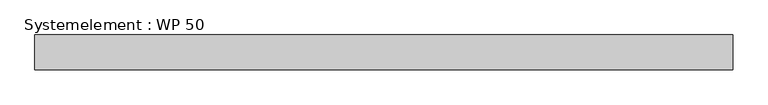
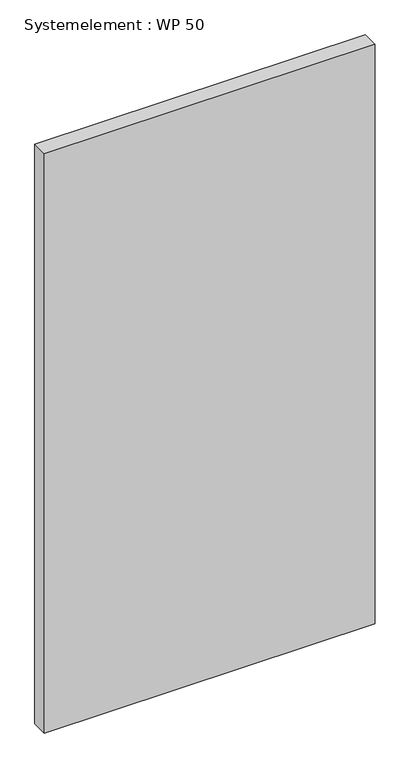
"""IFC4 building model written with IfcOpenShell, lengths in millimetres: plate geometry, Systemelement : WP 50."""

import ifcopenshell
import ifcopenshell.guid

model = None  # the IFC model being written
_history = None  # IfcOwnerHistory: only IFC2X3 demands one
_inside = {}  # id of a spatial element -> (the spatial element, [elements in it])
_under = {}  # id of a project, library or spatial element -> (it, [spatial elements below it])
_declared = {}  # id of a project -> (the project, [libraries it declares])
_typed = {}  # id of a type object -> (the type object, [elements of that type])
_made_of = {}  # id of a material, layer set ... -> (it, [elements and type objects made of it])


def new_model(schema):
    """Start an empty IFC model of exactly this schema.

    Asked for "IFC4X3", IfcOpenShell would pick the latest addendum, in which some entities
    have other attributes; the version numbers below select the first issue.
    IFC2X3 requires an IfcOwnerHistory on every rooted entity: one is made here for all.
    """
    global model, _history
    if schema == "IFC4X3":
        model = ifcopenshell.file(schema_version=(4, 3, 0, 0))
    else:
        model = ifcopenshell.file(schema=schema)
    _inside.clear()
    _under.clear()
    _declared.clear()
    _typed.clear()
    _made_of.clear()
    _history = None
    if model.schema == "IFC2X3":
        org = make("IfcOrganization", Name="unknown")
        user = make(
            "IfcPersonAndOrganization",
            ThePerson=make("IfcPerson", FamilyName="unknown"),
            TheOrganization=org,
        )
        app = make(
            "IfcApplication",
            ApplicationDeveloper=org,
            Version="unknown",
            ApplicationFullName="unknown",
            ApplicationIdentifier="unknown",
        )
        _history = make(
            "IfcOwnerHistory",
            OwningUser=user,
            OwningApplication=app,
            ChangeAction="ADDED",
            CreationDate=0,
        )
    return model


def make(cls, **values):
    """One entity of the class cls with the attributes given. An attribute that is None is left unset."""
    return model.create_entity(
        cls, **{name: value for name, value in values.items() if value is not None}
    )


def rooted(cls, **values):
    """An entity with a GlobalId (a new one), such as an element, a storey or a relation."""
    return make(cls, GlobalId=ifcopenshell.guid.new(), OwnerHistory=_history, **values)


def si_unit(unit_type, name, prefix=None):
    """IfcSIUnit, for example si_unit("LENGTHUNIT", "METRE", prefix="MILLI")."""
    return make("IfcSIUnit", UnitType=unit_type, Prefix=prefix, Name=name)


def assignment(units):
    """IfcUnitAssignment: the units of a project."""
    return None if units is None else make("IfcUnitAssignment", Units=units)


def point(xyz):
    """IfcCartesianPoint."""
    return None if xyz is None else make("IfcCartesianPoint", Coordinates=xyz)


def direction(xyz):
    """IfcDirection."""
    return None if xyz is None else make("IfcDirection", DirectionRatios=xyz)


def frame(location, z_axis=None, x_axis=None):
    """IfcAxis2Placement3D, a coordinate frame: its origin and axes. An axis left out is left unset."""
    return make(
        "IfcAxis2Placement3D",
        Location=point(location),
        Axis=direction(z_axis),
        RefDirection=direction(x_axis),
    )


def origin():
    """The frame at (0, 0, 0) with its axes left unset."""
    return frame((0.0, 0.0, 0.0))


def origin_with_axes():
    """The frame at (0, 0, 0) with the z axis (0, 0, 1) and the x axis (1, 0, 0) written out."""
    return frame((0.0, 0.0, 0.0), z_axis=(0.0, 0.0, 1.0), x_axis=(1.0, 0.0, 0.0))


def place(relative_to, where):
    """IfcLocalPlacement: puts the frame where relative to a parent placement (None: the world)."""
    return make(
        "IfcLocalPlacement", PlacementRelTo=relative_to, RelativePlacement=where
    )


def context(
    kind, dimensions, precision=None, world=None, true_north=None, identifier=None
):
    """IfcGeometricRepresentationContext, for example the 3D "Model" context."""
    return make(
        "IfcGeometricRepresentationContext",
        ContextIdentifier=identifier,
        ContextType=kind,
        CoordinateSpaceDimension=dimensions,
        Precision=precision,
        WorldCoordinateSystem=world,
        TrueNorth=true_north,
    )


def project(units=None, contexts=None):
    """IfcProject with its units and contexts."""
    return rooted(
        "IfcProject",
        Name="project",
        RepresentationContexts=contexts,
        UnitsInContext=assignment(units),
    )


def spatial(cls, under=None, at=None, **own):
    """A site, building, storey or space (cls), placed at a placement, below another one or the project."""
    s = rooted(cls, ObjectPlacement=at, **own)
    if under is not None:
        _under.setdefault(under.id(), (under, []))[1].append(s)
    return s


def polyline(points):
    """IfcPolyline through the points."""
    return make("IfcPolyline", Points=[point(p) for p in points])


def outline(outer, holes=None, kind="AREA"):
    """IfcArbitraryClosedProfileDef: a profile drawn as a closed curve; with holes, ...WithVoids."""
    if holes is None:
        return make("IfcArbitraryClosedProfileDef", ProfileType=kind, OuterCurve=outer)
    return make(
        "IfcArbitraryProfileDefWithVoids",
        ProfileType=kind,
        OuterCurve=outer,
        InnerCurves=holes,
    )


def extrude(swept, where, along, depth):
    """IfcExtrudedAreaSolid: the profile swept, set in the frame where, extruded along a direction by depth."""
    return make(
        "IfcExtrudedAreaSolid",
        SweptArea=swept,
        Position=where,
        ExtrudedDirection=direction(along),
        Depth=depth,
    )


def shape(context_of_items, identifier, shape_type, items):
    """IfcShapeRepresentation: the items that make up one representation, for example the "Body"."""
    return make(
        "IfcShapeRepresentation",
        ContextOfItems=context_of_items,
        RepresentationIdentifier=identifier,
        RepresentationType=shape_type,
        Items=items,
    )


def source(mapping_origin, context_of_items, identifier, shape_type, items):
    """IfcRepresentationMap: a shape defined once, which mapped items show again and again."""
    return make(
        "IfcRepresentationMap",
        MappingOrigin=mapping_origin,
        MappedRepresentation=shape(context_of_items, identifier, shape_type, items),
    )


def transform(
    local_origin,
    x_axis=None,
    y_axis=None,
    z_axis=None,
    scale=None,
    scale2=None,
    scale3=None,
    uniform=True,
):
    """IfcCartesianTransformationOperator3D, or its non-uniform kind. x_axis, y_axis, z_axis: its Axis1, 2, 3."""
    if uniform:
        return make(
            "IfcCartesianTransformationOperator3D",
            Axis1=direction(x_axis),
            Axis2=direction(y_axis),
            LocalOrigin=point(local_origin),
            Scale=scale,
            Axis3=direction(z_axis),
        )
    return make(
        "IfcCartesianTransformationOperator3DnonUniform",
        Axis1=direction(x_axis),
        Axis2=direction(y_axis),
        LocalOrigin=point(local_origin),
        Scale=scale,
        Axis3=direction(z_axis),
        Scale2=scale2,
        Scale3=scale3,
    )


def mapped(mapping_source, mapping_target):
    """IfcMappedItem: shows the shape of a source again, moved by a transform."""
    return make(
        "IfcMappedItem", MappingSource=mapping_source, MappingTarget=mapping_target
    )


def made_of(thing, what):
    """Note that an element or type object is made of a material, layer set ...; save() writes the relation."""
    if what is not None:
        _made_of.setdefault(what.id(), (what, []))[1].append(thing)
    return thing


def element(
    cls,
    number,
    at=None,
    inside=None,
    cuts=None,
    type_object=None,
    material=None,
    context=None,
    identifier="Body",
    shape_type=None,
    held_by="IfcProductDefinitionShape",
    body=None,
    shapes=None,
    **own,
):
    """One element of the class cls, such as IfcWall. Its Tag is "e" and its number.

    at: its placement. inside: the storey or other place that contains it. cuts: it is an
    opening in that element (IfcRelVoidsElement). A single representation is given by context,
    identifier, shape_type and body (its items); several are given by shapes. held_by: the class
    of the entity that holds the representations. save() writes the other relations.
    """
    e = rooted(cls, Tag="e%d" % number, ObjectPlacement=at, **own)
    if body is not None:
        shapes = [shape(context, identifier, shape_type, body)]
    if shapes is not None:
        e.Representation = make(held_by, Representations=shapes)
    if inside is not None:
        _inside.setdefault(inside.id(), (inside, []))[1].append(e)
    if cuts is not None:
        rooted(
            "IfcRelVoidsElement", RelatingBuildingElement=cuts, RelatedOpeningElement=e
        )
    if type_object is not None:
        _typed.setdefault(type_object.id(), (type_object, []))[1].append(e)
    return made_of(e, material)


def aggregate(whole, parts):
    """IfcRelAggregates: a whole, such as a stair, and the parts it consists of."""
    return rooted("IfcRelAggregates", RelatingObject=whole, RelatedObjects=parts)


def save(model, path):
    """Write the relations noted so far, then the file.

    IfcRelAggregates (storeys below a building ...), IfcRelContainedInSpatialStructure (elements
    in a storey), IfcRelDefinesByType, IfcRelAssociatesMaterial and IfcRelDeclares: one each for
    every whole, place, type object, material and project.
    """
    for whole, parts in _under.values():
        aggregate(whole, parts)
    for where, things in _inside.values():
        rooted(
            "IfcRelContainedInSpatialStructure",
            RelatedElements=things,
            RelatingStructure=where,
        )
    for kind, things in _typed.values():
        rooted("IfcRelDefinesByType", RelatedObjects=things, RelatingType=kind)
    for what, things in _made_of.values():
        rooted("IfcRelAssociatesMaterial", RelatedObjects=things, RelatingMaterial=what)
    for by, libraries in _declared.values():
        rooted("IfcRelDeclares", RelatingContext=by, RelatedDefinitions=libraries)
    model.write(path)


def systemelement_wp_50_9e439f91(model_context):
    return source(origin(), model_context, "Body", "SweptSolid", [
        extrude(outline(polyline([(500.0, -50.0), (-500.0, -50.0), (-500.0, 0.0), (500.0, 0.0), (500.0, -50.0)])), origin_with_axes(), (0.0, 0.0, 1.0), 1851.6147161),
    ])


if __name__ == "__main__":
    model = new_model("IFC4")
    model_context = context("Model", 3, world=origin())
    ifc_project = project(units=[si_unit("LENGTHUNIT", "METRE", prefix="MILLI")], contexts=[model_context])
    site = spatial("IfcSite", under=ifc_project)
    building = spatial("IfcBuilding", under=site)
    placement = place(None, origin())
    systemelement_wp_50_shape = systemelement_wp_50_9e439f91(model_context)
    element("IfcPlate", 1, ObjectType="Systemelement : WP 50", at=placement, inside=building, context=model_context, shape_type="MappedRepresentation", body=[
        mapped(systemelement_wp_50_shape, transform((0.0, 0.0, 0.0), x_axis=(1.0, 0.0, 0.0), y_axis=(0.0, 1.0, 0.0), z_axis=(0.0, 0.0, 1.0))),
    ])
    save(model, "model.ifc")
